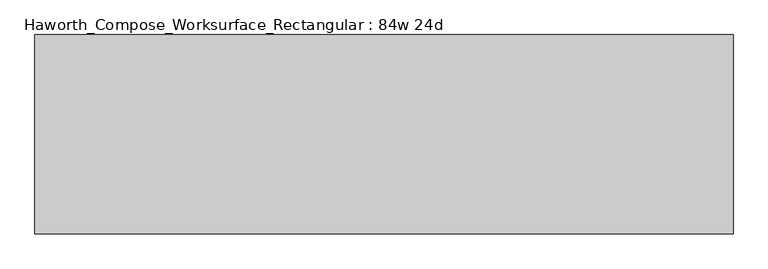
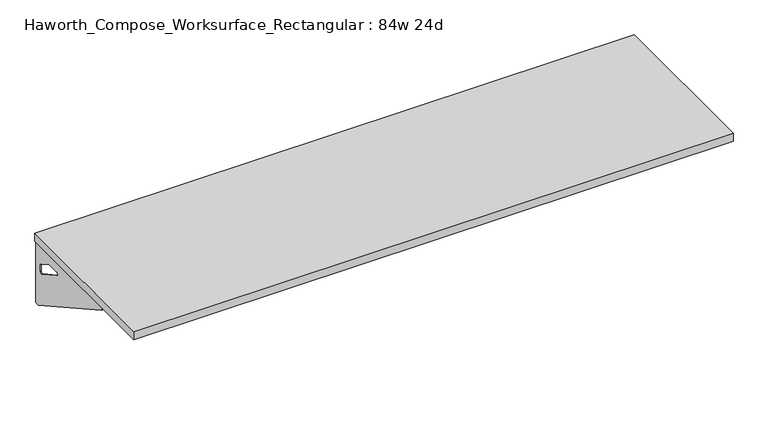
"""IFC4 building model written with IfcOpenShell, lengths in millimetres: furniture geometry, Haworth_Compose_Worksurface_Rectangular : 84w 24d."""

import ifcopenshell
import ifcopenshell.guid

model = None  # the IFC model being written
_history = None  # IfcOwnerHistory: only IFC2X3 demands one
_inside = {}  # id of a spatial element -> (the spatial element, [elements in it])
_under = {}  # id of a project, library or spatial element -> (it, [spatial elements below it])
_declared = {}  # id of a project -> (the project, [libraries it declares])
_typed = {}  # id of a type object -> (the type object, [elements of that type])
_made_of = {}  # id of a material, layer set ... -> (it, [elements and type objects made of it])


def new_model(schema):
    """Start an empty IFC model of exactly this schema.

    Asked for "IFC4X3", IfcOpenShell would pick the latest addendum, in which some entities
    have other attributes; the version numbers below select the first issue.
    IFC2X3 requires an IfcOwnerHistory on every rooted entity: one is made here for all.
    """
    global model, _history
    if schema == "IFC4X3":
        model = ifcopenshell.file(schema_version=(4, 3, 0, 0))
    else:
        model = ifcopenshell.file(schema=schema)
    _inside.clear()
    _under.clear()
    _declared.clear()
    _typed.clear()
    _made_of.clear()
    _history = None
    if model.schema == "IFC2X3":
        org = make("IfcOrganization", Name="unknown")
        user = make(
            "IfcPersonAndOrganization",
            ThePerson=make("IfcPerson", FamilyName="unknown"),
            TheOrganization=org,
        )
        app = make(
            "IfcApplication",
            ApplicationDeveloper=org,
            Version="unknown",
            ApplicationFullName="unknown",
            ApplicationIdentifier="unknown",
        )
        _history = make(
            "IfcOwnerHistory",
            OwningUser=user,
            OwningApplication=app,
            ChangeAction="ADDED",
            CreationDate=0,
        )
    return model


def make(cls, **values):
    """One entity of the class cls with the attributes given. An attribute that is None is left unset."""
    return model.create_entity(
        cls, **{name: value for name, value in values.items() if value is not None}
    )


def rooted(cls, **values):
    """An entity with a GlobalId (a new one), such as an element, a storey or a relation."""
    return make(cls, GlobalId=ifcopenshell.guid.new(), OwnerHistory=_history, **values)


def si_unit(unit_type, name, prefix=None):
    """IfcSIUnit, for example si_unit("LENGTHUNIT", "METRE", prefix="MILLI")."""
    return make("IfcSIUnit", UnitType=unit_type, Prefix=prefix, Name=name)


def assignment(units):
    """IfcUnitAssignment: the units of a project."""
    return None if units is None else make("IfcUnitAssignment", Units=units)


def point(xyz):
    """IfcCartesianPoint."""
    return None if xyz is None else make("IfcCartesianPoint", Coordinates=xyz)


def direction(xyz):
    """IfcDirection."""
    return None if xyz is None else make("IfcDirection", DirectionRatios=xyz)


def frame(location, z_axis=None, x_axis=None):
    """IfcAxis2Placement3D, a coordinate frame: its origin and axes. An axis left out is left unset."""
    return make(
        "IfcAxis2Placement3D",
        Location=point(location),
        Axis=direction(z_axis),
        RefDirection=direction(x_axis),
    )


def origin():
    """The frame at (0, 0, 0) with its axes left unset."""
    return frame((0.0, 0.0, 0.0))


def place(relative_to, where):
    """IfcLocalPlacement: puts the frame where relative to a parent placement (None: the world)."""
    return make(
        "IfcLocalPlacement", PlacementRelTo=relative_to, RelativePlacement=where
    )


def context(
    kind, dimensions, precision=None, world=None, true_north=None, identifier=None
):
    """IfcGeometricRepresentationContext, for example the 3D "Model" context."""
    return make(
        "IfcGeometricRepresentationContext",
        ContextIdentifier=identifier,
        ContextType=kind,
        CoordinateSpaceDimension=dimensions,
        Precision=precision,
        WorldCoordinateSystem=world,
        TrueNorth=true_north,
    )


def project(units=None, contexts=None):
    """IfcProject with its units and contexts."""
    return rooted(
        "IfcProject",
        Name="project",
        RepresentationContexts=contexts,
        UnitsInContext=assignment(units),
    )


def spatial(cls, under=None, at=None, **own):
    """A site, building, storey or space (cls), placed at a placement, below another one or the project."""
    s = rooted(cls, ObjectPlacement=at, **own)
    if under is not None:
        _under.setdefault(under.id(), (under, []))[1].append(s)
    return s


def polyline(points):
    """IfcPolyline through the points."""
    return make("IfcPolyline", Points=[point(p) for p in points])


def circle_curve(where, radius):
    """IfcCircle in the frame where."""
    return make("IfcCircle", Position=where, Radius=radius)


def outline(outer, holes=None, kind="AREA"):
    """IfcArbitraryClosedProfileDef: a profile drawn as a closed curve; with holes, ...WithVoids."""
    if holes is None:
        return make("IfcArbitraryClosedProfileDef", ProfileType=kind, OuterCurve=outer)
    return make(
        "IfcArbitraryProfileDefWithVoids",
        ProfileType=kind,
        OuterCurve=outer,
        InnerCurves=holes,
    )


def extrude(swept, where, along, depth):
    """IfcExtrudedAreaSolid: the profile swept, set in the frame where, extruded along a direction by depth."""
    return make(
        "IfcExtrudedAreaSolid",
        SweptArea=swept,
        Position=where,
        ExtrudedDirection=direction(along),
        Depth=depth,
    )


def shape(context_of_items, identifier, shape_type, items):
    """IfcShapeRepresentation: the items that make up one representation, for example the "Body"."""
    return make(
        "IfcShapeRepresentation",
        ContextOfItems=context_of_items,
        RepresentationIdentifier=identifier,
        RepresentationType=shape_type,
        Items=items,
    )


def source(mapping_origin, context_of_items, identifier, shape_type, items):
    """IfcRepresentationMap: a shape defined once, which mapped items show again and again."""
    return make(
        "IfcRepresentationMap",
        MappingOrigin=mapping_origin,
        MappedRepresentation=shape(context_of_items, identifier, shape_type, items),
    )


def transform(
    local_origin,
    x_axis=None,
    y_axis=None,
    z_axis=None,
    scale=None,
    scale2=None,
    scale3=None,
    uniform=True,
):
    """IfcCartesianTransformationOperator3D, or its non-uniform kind. x_axis, y_axis, z_axis: its Axis1, 2, 3."""
    if uniform:
        return make(
            "IfcCartesianTransformationOperator3D",
            Axis1=direction(x_axis),
            Axis2=direction(y_axis),
            LocalOrigin=point(local_origin),
            Scale=scale,
            Axis3=direction(z_axis),
        )
    return make(
        "IfcCartesianTransformationOperator3DnonUniform",
        Axis1=direction(x_axis),
        Axis2=direction(y_axis),
        LocalOrigin=point(local_origin),
        Scale=scale,
        Axis3=direction(z_axis),
        Scale2=scale2,
        Scale3=scale3,
    )


def mapped(mapping_source, mapping_target):
    """IfcMappedItem: shows the shape of a source again, moved by a transform."""
    return make(
        "IfcMappedItem", MappingSource=mapping_source, MappingTarget=mapping_target
    )


def made_of(thing, what):
    """Note that an element or type object is made of a material, layer set ...; save() writes the relation."""
    if what is not None:
        _made_of.setdefault(what.id(), (what, []))[1].append(thing)
    return thing


def element(
    cls,
    number,
    at=None,
    inside=None,
    cuts=None,
    type_object=None,
    material=None,
    context=None,
    identifier="Body",
    shape_type=None,
    held_by="IfcProductDefinitionShape",
    body=None,
    shapes=None,
    **own,
):
    """One element of the class cls, such as IfcWall. Its Tag is "e" and its number.

    at: its placement. inside: the storey or other place that contains it. cuts: it is an
    opening in that element (IfcRelVoidsElement). A single representation is given by context,
    identifier, shape_type and body (its items); several are given by shapes. held_by: the class
    of the entity that holds the representations. save() writes the other relations.
    """
    e = rooted(cls, Tag="e%d" % number, ObjectPlacement=at, **own)
    if body is not None:
        shapes = [shape(context, identifier, shape_type, body)]
    if shapes is not None:
        e.Representation = make(held_by, Representations=shapes)
    if inside is not None:
        _inside.setdefault(inside.id(), (inside, []))[1].append(e)
    if cuts is not None:
        rooted(
            "IfcRelVoidsElement", RelatingBuildingElement=cuts, RelatedOpeningElement=e
        )
    if type_object is not None:
        _typed.setdefault(type_object.id(), (type_object, []))[1].append(e)
    return made_of(e, material)


def aggregate(whole, parts):
    """IfcRelAggregates: a whole, such as a stair, and the parts it consists of."""
    return rooted("IfcRelAggregates", RelatingObject=whole, RelatedObjects=parts)


def save(model, path):
    """Write the relations noted so far, then the file.

    IfcRelAggregates (storeys below a building ...), IfcRelContainedInSpatialStructure (elements
    in a storey), IfcRelDefinesByType, IfcRelAssociatesMaterial and IfcRelDeclares: one each for
    every whole, place, type object, material and project.
    """
    for whole, parts in _under.values():
        aggregate(whole, parts)
    for where, things in _inside.values():
        rooted(
            "IfcRelContainedInSpatialStructure",
            RelatedElements=things,
            RelatingStructure=where,
        )
    for kind, things in _typed.values():
        rooted("IfcRelDefinesByType", RelatedObjects=things, RelatingType=kind)
    for what, things in _made_of.values():
        rooted("IfcRelAssociatesMaterial", RelatedObjects=things, RelatingMaterial=what)
    for by, libraries in _declared.values():
        rooted("IfcRelDeclares", RelatingContext=by, RelatedDefinitions=libraries)
    model.write(path)


def plane_surface(at):
    """IfcPlane: the flat surface through the origin of the frame at, square to its z axis."""
    return make("IfcPlane", Position=at)


def revolved_surface(curve, axis_point, axis_direction):
    """IfcSurfaceOfRevolution: the curve turned about the line through axis_point along axis_direction."""
    return make(
        "IfcSurfaceOfRevolution",
        SweptCurve=make("IfcArbitraryOpenProfileDef", ProfileType="CURVE", Curve=curve),
        AxisPosition=make("IfcAxis1Placement", Location=point(axis_point), Axis=direction(axis_direction)),
    )


def advanced_brep(points, edges, surfaces, faces):
    """IfcAdvancedBrep: a solid bounded by faces that lie on surfaces and meet in shared edges.

    An edge is (start, end): straight between two places in points (the first is 0);
    or (start, end, curve); or (start, end, curve, False) where it runs against its curve.
    A face is (place in surfaces, loops), or (place, loops, False) where it looks against
    its surface's normal. A loop lists edges by number (the first is 1), with a minus sign
    where the edge is run from its end to its start. The first loop is the outer one.
    """
    corners = [point(p) for p in points]
    vertices = [make("IfcVertexPoint", VertexGeometry=c) for c in corners]
    made = []
    for start, end, *more in edges:
        made.append(
            make(
                "IfcEdgeCurve",
                EdgeStart=vertices[start],
                EdgeEnd=vertices[end],
                EdgeGeometry=more[0] if more else make("IfcPolyline", Points=[corners[start], corners[end]]),
                SameSense=more[1] if len(more) > 1 else True,
            )
        )
    hull = []
    for where, loops, *sense in faces:
        bounds = []
        for j, loop in enumerate(loops):
            ring = [make("IfcOrientedEdge", EdgeElement=made[abs(k) - 1], Orientation=k > 0) for k in loop]
            bounds.append(
                make(
                    "IfcFaceOuterBound" if j == 0 else "IfcFaceBound",
                    Bound=make("IfcEdgeLoop", EdgeList=ring),
                    Orientation=True,
                )
            )
        hull.append(make("IfcAdvancedFace", Bounds=bounds, FaceSurface=surfaces[where], SameSense=sense[0] if sense else True))
    return make("IfcAdvancedBrep", Outer=make("IfcClosedShell", CfsFaces=hull))


def haworth_compose_worksurface_rectangular_84w_24d_6c0314e7(model_context):
    return source(origin(), model_context, "Body", "SolidModel", [
        advanced_brep(
        [(1061.24375, 304.8, 475.45625), (1061.24375, 288.925, 475.45625), (1061.24375, -101.6, 691.7192568), (1061.24375, -101.6, 704.05625), (1061.24375, 288.925, 704.05625), (1061.24375, 304.8, 704.05625), (1061.24375, 221.490072, 665.95625), (1061.24375, 177.8355284, 665.95625), (1061.24375, 175.1564235, 656.3705539), (1061.24375, 266.8776173, 605.5776439), (1061.24375, 276.225, 611.1756969), (1061.24375, 276.225, 634.6860246), (1061.24375, 274.4730055, 637.5242776), (1061.24375, 224.5663437, 665.1613425), (1063.625, 304.8, 475.45625), (1063.625, 304.8, 704.05625), (1063.625, 288.925, 704.05625), (1063.625, 288.925, 706.4375), (1063.625, -101.6, 706.4375), (1063.625, -101.6, 691.7192568), (1063.625, 288.925, 475.45625), (1063.625, 221.490072, 665.95625), (1063.625, 224.5663437, 665.1613425), (1063.625, 274.4730055, 637.5242776), (1063.625, 276.225, 634.6860246), (1063.625, 276.225, 611.1756969), (1063.625, 266.8776173, 605.5776439), (1063.625, 175.1564235, 656.3705539), (1063.625, 177.8355284, 665.95625), (1022.35, -101.6, 706.4375), (1022.35, -101.6, 704.05625), (1022.35, 288.925, 704.05625), (1022.35, 288.925, 706.4375)],
        [
            (0, 1),
            (1, 2),
            (2, 3),
            (3, 4),
            (4, 5),
            (5, 0),
            (6, 7),
            (7, 8, circle_curve(frame((1061.24375, 177.8355284, 660.7890106), z_axis=(1.0, 0.0, 0.0), x_axis=(0.0, -1.0, 0.0)), 5.1672394)),
            (8, 9),
            (9, 10, circle_curve(frame((1061.24375, 269.875, 611.1756969), z_axis=(1.0, 0.0, 0.0), x_axis=(0.0, -1.0, 0.0)), 6.35)),
            (10, 11),
            (11, 12, circle_curve(frame((1061.24375, 273.05, 634.6860246), z_axis=(1.0, 0.0, 0.0), x_axis=(0.0, -1.0, 0.0)), 3.175)),
            (12, 13),
            (13, 6, circle_curve(frame((1061.24375, 221.490072, 659.60625), z_axis=(1.0, 0.0, 0.0), x_axis=(0.0, -1.0, 0.0)), 6.35)),
            (14, 15),
            (15, 16),
            (16, 17),
            (17, 18),
            (18, 19),
            (19, 20),
            (20, 14),
            (21, 22, circle_curve(frame((1063.625, 221.490072, 659.60625), z_axis=(-1.0, 0.0, 0.0), x_axis=(0.0, -1.0, 0.0)), 6.35)),
            (22, 23),
            (23, 24, circle_curve(frame((1063.625, 273.05, 634.6860246), z_axis=(-1.0, 0.0, 0.0), x_axis=(0.0, -1.0, 0.0)), 3.175)),
            (24, 25),
            (25, 26, circle_curve(frame((1063.625, 269.875, 611.1756969), z_axis=(-1.0, 0.0, 0.0), x_axis=(0.0, -1.0, 0.0)), 6.35)),
            (26, 27),
            (27, 28, circle_curve(frame((1063.625, 177.8355284, 660.7890106), z_axis=(-1.0, 0.0, 0.0), x_axis=(0.0, -1.0, 0.0)), 5.1672394)),
            (28, 21),
            (4, 16),
            (15, 5),
            (14, 0),
            (20, 1),
            (19, 2),
            (18, 29),
            (29, 30),
            (30, 3),
            (6, 21),
            (28, 7),
            (9, 26),
            (25, 10),
            (24, 11),
            (23, 12),
            (27, 8),
            (31, 4),
            (30, 31),
            (32, 29),
            (17, 32),
            (31, 32),
            (22, 13),
        ],
        [
            plane_surface(frame((1061.24375, 304.8, 475.45625), z_axis=(-1.0, 0.0, 0.0), x_axis=(0.0, 1.0, 0.0))),
            plane_surface(frame((1063.625, 304.8, 475.45625), z_axis=(1.0, 0.0, 0.0), x_axis=(0.0, -1.0, 0.0))),
            plane_surface(frame((1063.625, -101.6, 704.05625), z_axis=(0.0, 0.0, 1.0), x_axis=(-1.0, 0.0, 0.0))),
            plane_surface(frame((1063.625, 304.8, 704.05625), z_axis=(0.0, 1.0, 0.0), x_axis=(-1.0, 0.0, 0.0))),
            plane_surface(frame((1063.625, 304.8, 475.45625), z_axis=(0.0, 0.0, -1.0), x_axis=(-1.0, 0.0, 0.0))),
            plane_surface(frame((1063.625, 288.925, 475.45625), z_axis=(0.0, -0.48445223513455843, -0.8748177135112952), x_axis=(-1.0, 0.0, 0.0))),
            plane_surface(frame((1063.625, -101.6, 691.7192568), z_axis=(0.0, -1.0, 0.0), x_axis=(-1.0, 0.0, 0.0))),
            plane_surface(frame((1063.625, 221.490072, 665.95625), z_axis=(0.0, 0.0, -1.0), x_axis=(-1.0, 0.0, 0.0))),
            revolved_surface(polyline([(1061.24375, 263.525, 611.1756969), (1063.625, 263.525, 611.1756969)]), (1063.625, 269.875, 611.1756969), (-1.0, 0.0, 0.0)),
            plane_surface(frame((1063.625, 276.225, 611.1756969), z_axis=(0.0, -1.0, 0.0), x_axis=(-1.0, 0.0, 0.0))),
            revolved_surface(polyline([(1061.24375, 269.875, 634.6860246), (1063.625, 269.875, 634.6860246)]), (1063.625, 273.05, 634.6860246), (-1.0, 0.0, 0.0)),
            revolved_surface(polyline([(1061.24375, 172.668289, 660.7890106), (1063.625, 172.668289, 660.7890106)]), (1063.625, 177.8355284, 660.7890106), (-1.0, 0.0, 0.0)),
            plane_surface(frame((1063.625, 288.925, 704.05625), z_axis=(0.0, 0.0, -1.0), x_axis=(-1.0, 0.0, 0.0))),
            plane_surface(frame((1063.625, 288.925, 706.4375), z_axis=(0.0, 0.0, 1.0), x_axis=(1.0, 0.0, 0.0))),
            plane_surface(frame((1022.35, 288.925, 706.4375), z_axis=(0.0, 1.0, 0.0), x_axis=(0.0, 0.0, -1.0))),
            plane_surface(frame((1022.35, -101.6, 706.4375), z_axis=(-1.0, 0.0, 0.0), x_axis=(0.0, 0.0, -1.0))),
            plane_surface(frame((1063.625, 175.1564235, 656.3705539), z_axis=(0.0, 0.4844522351345583, 0.8748177135112953), x_axis=(-1.0, 0.0, 0.0))),
            plane_surface(frame((1063.625, 274.4730055, 637.5242776), z_axis=(0.0, -0.4844522351345582, -0.8748177135112953), x_axis=(-1.0, 0.0, 0.0))),
            revolved_surface(polyline([(1061.24375, 215.140072, 659.60625), (1063.625, 215.140072, 659.60625)]), (1063.625, 221.490072, 659.60625), (-1.0, 0.0, 0.0)),
        ],
        [
            (0, [[1, 2, 3, 4, 5, 6], [7, 8, 9, 10, 11, 12, 13, 14]]),
            (1, [[15, 16, 17, 18, 19, 20, 21], [22, 23, 24, 25, 26, 27, 28, 29]]),
            (2, [[-5, 30, -16, 31]]),
            (3, [[-31, -15, 32, -6]]),
            (4, [[-32, -21, 33, -1]]),
            (5, [[-33, -20, 34, -2]]),
            (6, [[-34, -19, 35, 36, 37, -3]]),
            (7, [[38, -29, 39, -7]]),
            (8, [[40, -26, 41, -10]]),
            (9, [[-41, -25, 42, -11]]),
            (10, [[-42, -24, 43, -12]]),
            (11, [[-39, -28, 44, -8]]),
            (12, [[45, -4, -37, 46]]),
            (13, [[47, -35, -18, 48]]),
            (14, [[-17, -30, -45, 49, -48]]),
            (15, [[-36, -47, -49, -46]]),
            (16, [[-44, -27, -40, -9]]),
            (17, [[-43, -23, 50, -13]]),
            (18, [[-50, -22, -38, -14]]),
        ],
    ),
        advanced_brep(
        [(-1061.24375, 304.8, 475.45625), (-1061.24375, 304.8, 704.05625), (-1061.24375, 288.925, 704.05625), (-1061.24375, -101.6, 704.05625), (-1061.24375, -101.6, 691.7192568), (-1061.24375, 288.925, 475.45625), (-1061.24375, 221.490072, 665.95625), (-1061.24375, 224.5663437, 665.1613425), (-1061.24375, 274.4730055, 637.5242776), (-1061.24375, 276.225, 634.6860246), (-1061.24375, 276.225, 611.1756969), (-1061.24375, 266.8776173, 605.5776439), (-1061.24375, 175.1564235, 656.3705539), (-1061.24375, 177.8355284, 665.95625), (-1063.625, 304.8, 475.45625), (-1063.625, 288.925, 475.45625), (-1063.625, -101.6, 691.7192568), (-1063.625, -101.6, 706.4375), (-1063.625, 288.925, 706.4375), (-1063.625, 288.925, 704.05625), (-1063.625, 304.8, 704.05625), (-1063.625, 221.490072, 665.95625), (-1063.625, 177.8355284, 665.95625), (-1063.625, 175.1564235, 656.3705539), (-1063.625, 266.8776173, 605.5776439), (-1063.625, 276.225, 611.1756969), (-1063.625, 276.225, 634.6860246), (-1063.625, 274.4730055, 637.5242776), (-1063.625, 224.5663437, 665.1613425), (-1022.35, -101.6, 704.05625), (-1022.35, -101.6, 706.4375), (-1022.35, 288.925, 704.05625), (-1022.35, 288.925, 706.4375)],
        [
            (0, 1),
            (1, 2),
            (2, 3),
            (3, 4),
            (4, 5),
            (5, 0),
            (6, 7, circle_curve(frame((-1061.24375, 221.490072, 659.60625), z_axis=(-1.0, 0.0, 0.0), x_axis=(0.0, -1.0, 0.0)), 6.35)),
            (7, 8),
            (8, 9, circle_curve(frame((-1061.24375, 273.05, 634.6860246), z_axis=(-1.0, 0.0, 0.0), x_axis=(0.0, -1.0, 0.0)), 3.175)),
            (9, 10),
            (10, 11, circle_curve(frame((-1061.24375, 269.875, 611.1756969), z_axis=(-1.0, 0.0, 0.0), x_axis=(0.0, -1.0, 0.0)), 6.35)),
            (11, 12),
            (12, 13, circle_curve(frame((-1061.24375, 177.8355284, 660.7890106), z_axis=(-1.0, 0.0, 0.0), x_axis=(0.0, -1.0, 0.0)), 5.1672394)),
            (13, 6),
            (14, 15),
            (15, 16),
            (16, 17),
            (17, 18),
            (18, 19),
            (19, 20),
            (20, 14),
            (21, 22),
            (22, 23, circle_curve(frame((-1063.625, 177.8355284, 660.7890106), z_axis=(1.0, 0.0, 0.0), x_axis=(0.0, -1.0, 0.0)), 5.1672394)),
            (23, 24),
            (24, 25, circle_curve(frame((-1063.625, 269.875, 611.1756969), z_axis=(1.0, 0.0, 0.0), x_axis=(0.0, -1.0, 0.0)), 6.35)),
            (25, 26),
            (26, 27, circle_curve(frame((-1063.625, 273.05, 634.6860246), z_axis=(1.0, 0.0, 0.0), x_axis=(0.0, -1.0, 0.0)), 3.175)),
            (27, 28),
            (28, 21, circle_curve(frame((-1063.625, 221.490072, 659.60625), z_axis=(1.0, 0.0, 0.0), x_axis=(0.0, -1.0, 0.0)), 6.35)),
            (1, 20),
            (19, 2),
            (0, 14),
            (5, 15),
            (4, 16),
            (3, 29),
            (29, 30),
            (30, 17),
            (13, 22),
            (21, 6),
            (10, 25),
            (24, 11),
            (9, 26),
            (8, 27),
            (12, 23),
            (31, 29),
            (2, 31),
            (32, 18),
            (30, 32),
            (32, 31),
            (7, 28),
        ],
        [
            plane_surface(frame((-1061.24375, 304.8, 475.45625), z_axis=(1.0, 0.0, 0.0), x_axis=(0.0, 1.0, 0.0))),
            plane_surface(frame((-1063.625, 304.8, 475.45625), z_axis=(-1.0, 0.0, 0.0), x_axis=(0.0, -1.0, 0.0))),
            plane_surface(frame((-1063.625, -101.6, 704.05625), z_axis=(0.0, 0.0, 1.0), x_axis=(1.0, 0.0, 0.0))),
            plane_surface(frame((-1063.625, 304.8, 704.05625), z_axis=(0.0, 1.0, 0.0), x_axis=(1.0, 0.0, 0.0))),
            plane_surface(frame((-1063.625, 304.8, 475.45625), z_axis=(0.0, 0.0, -1.0), x_axis=(1.0, 0.0, 0.0))),
            plane_surface(frame((-1063.625, 288.925, 475.45625), z_axis=(0.0, -0.48445223513455843, -0.8748177135112952), x_axis=(1.0, 0.0, 0.0))),
            plane_surface(frame((-1063.625, -101.6, 691.7192568), z_axis=(0.0, -1.0, 0.0), x_axis=(1.0, 0.0, 0.0))),
            plane_surface(frame((-1063.625, 221.490072, 665.95625), z_axis=(0.0, 0.0, -1.0), x_axis=(1.0, 0.0, 0.0))),
            revolved_surface(polyline([(-1061.24375, 263.525, 611.1756969), (-1063.625, 263.525, 611.1756969)]), (-1063.625, 269.875, 611.1756969), (1.0, 0.0, 0.0)),
            plane_surface(frame((-1063.625, 276.225, 611.1756969), z_axis=(0.0, -1.0, 0.0), x_axis=(1.0, 0.0, 0.0))),
            revolved_surface(polyline([(-1061.24375, 269.875, 634.6860246), (-1063.625, 269.875, 634.6860246)]), (-1063.625, 273.05, 634.6860246), (1.0, 0.0, 0.0)),
            revolved_surface(polyline([(-1061.24375, 172.668289, 660.7890106), (-1063.625, 172.668289, 660.7890106)]), (-1063.625, 177.8355284, 660.7890106), (1.0, 0.0, 0.0)),
            plane_surface(frame((-1063.625, 288.925, 704.05625), z_axis=(0.0, 0.0, -1.0), x_axis=(1.0, 0.0, 0.0))),
            plane_surface(frame((-1063.625, 288.925, 706.4375), z_axis=(0.0, 0.0, 1.0), x_axis=(-1.0, 0.0, 0.0))),
            plane_surface(frame((-1022.35, 288.925, 706.4375), z_axis=(0.0, 1.0, 0.0), x_axis=(0.0, 0.0, -1.0))),
            plane_surface(frame((-1022.35, -101.6, 706.4375), z_axis=(1.0, 0.0, 0.0), x_axis=(0.0, 0.0, -1.0))),
            plane_surface(frame((-1063.625, 175.1564235, 656.3705539), z_axis=(0.0, 0.4844522351345583, 0.8748177135112953), x_axis=(1.0, 0.0, 0.0))),
            plane_surface(frame((-1063.625, 274.4730055, 637.5242776), z_axis=(0.0, -0.4844522351345582, -0.8748177135112953), x_axis=(1.0, 0.0, 0.0))),
            revolved_surface(polyline([(-1061.24375, 215.140072, 659.60625), (-1063.625, 215.140072, 659.60625)]), (-1063.625, 221.490072, 659.60625), (1.0, 0.0, 0.0)),
        ],
        [
            (0, [[1, 2, 3, 4, 5, 6], [7, 8, 9, 10, 11, 12, 13, 14]]),
            (1, [[15, 16, 17, 18, 19, 20, 21], [22, 23, 24, 25, 26, 27, 28, 29]]),
            (2, [[30, -20, 31, -2]]),
            (3, [[-1, 32, -21, -30]]),
            (4, [[-6, 33, -15, -32]]),
            (5, [[-5, 34, -16, -33]]),
            (6, [[-4, 35, 36, 37, -17, -34]]),
            (7, [[-14, 38, -22, 39]]),
            (8, [[-11, 40, -25, 41]]),
            (9, [[-10, 42, -26, -40]]),
            (10, [[-9, 43, -27, -42]]),
            (11, [[-13, 44, -23, -38]]),
            (12, [[45, -35, -3, 46]]),
            (13, [[47, -18, -37, 48]]),
            (14, [[-47, 49, -46, -31, -19]]),
            (15, [[-45, -49, -48, -36]]),
            (16, [[-12, -41, -24, -44]]),
            (17, [[-8, 50, -28, -43]]),
            (18, [[-7, -39, -29, -50]]),
        ],
    ),
        extrude(outline(polyline([(1066.8, 304.8), (1066.8, -304.8), (-1066.8, -304.8), (-1066.8, 304.8), (1066.8, 304.8)])), frame((0.0, 0.0, 706.4375), z_axis=(0.0, 0.0, 1.0), x_axis=(1.0, 0.0, 0.0)), (0.0, 0.0, 1.0), 30.1625),
    ])


if __name__ == "__main__":
    model = new_model("IFC4")
    model_context = context("Model", 3, world=origin())
    ifc_project = project(units=[si_unit("LENGTHUNIT", "METRE", prefix="MILLI")], contexts=[model_context])
    site = spatial("IfcSite", under=ifc_project)
    building = spatial("IfcBuilding", under=site)
    placement = place(None, origin())
    haworth_compose_worksurface_rectangular_84w_24d_shape = haworth_compose_worksurface_rectangular_84w_24d_6c0314e7(model_context)
    element("IfcFurniture", 1, ObjectType="Haworth_Compose_Worksurface_Rectangular : 84w 24d", at=placement, inside=building, context=model_context, shape_type="MappedRepresentation", body=[
        mapped(haworth_compose_worksurface_rectangular_84w_24d_shape, transform((0.0, 0.0, 0.0), x_axis=(1.0, 0.0, 0.0), y_axis=(0.0, 1.0, 0.0), z_axis=(0.0, 0.0, 1.0))),
    ])
    save(model, "model.ifc")
